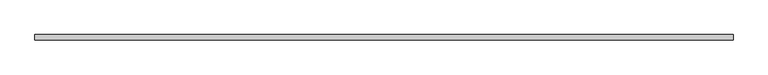
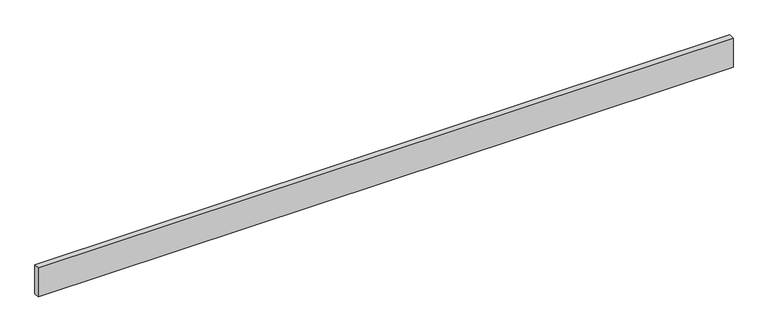
"""IFC4 building model written with IfcOpenShell, lengths in millimetres: beam geometry."""

from ifc_helpers import new_model, si_unit, frame, origin, place, context, project, spatial, polyline, outline, extrude, source, transform, mapped, element, save


def beam_c7b9f910(model_context):
    return source(origin(), model_context, "Body", "SweptSolid", [
        extrude(outline(polyline([(2259.2, -18.0), (-2259.2, -18.0), (-2259.2, 18.0), (2259.2, 18.0), (2259.2, -18.0)])), frame((0.0, 0.0, -100.0), z_axis=(0.0, 0.0, 1.0), x_axis=(1.0, 0.0, 0.0)), (0.0, 0.0, 1.0), 200.0),
    ])


if __name__ == "__main__":
    model = new_model("IFC4")
    model_context = context("Model", 3, world=origin())
    ifc_project = project(units=[si_unit("LENGTHUNIT", "METRE", prefix="MILLI")], contexts=[model_context])
    site = spatial("IfcSite", under=ifc_project)
    building = spatial("IfcBuilding", under=site)
    placement = place(None, origin())
    beam_shape = beam_c7b9f910(model_context)
    element("IfcBeam", 1, at=placement, inside=building, context=model_context, shape_type="MappedRepresentation", body=[
        mapped(beam_shape, transform((0.0, 0.0, 0.0), x_axis=(1.0, 0.0, 0.0), y_axis=(0.0, 1.0, 0.0), z_axis=(0.0, 0.0, 1.0))),
    ])
    save(model, "model.ifc")
